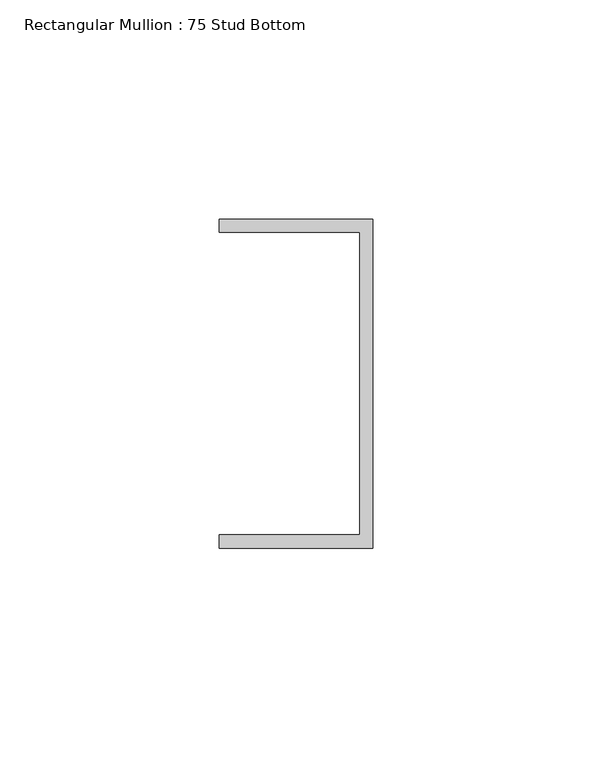
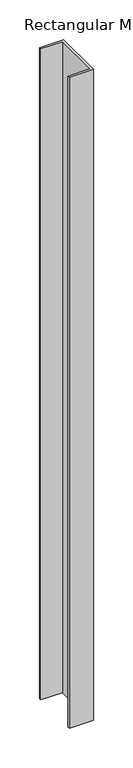
"""IFC4 building model written with IfcOpenShell, lengths in millimetres: member geometry, Rectangular Mullion : 75 Stud Bottom."""

from ifc_helpers import new_model, si_unit, frame, origin, place, context, project, spatial, polyline, outline, extrude, source, transform, mapped, element, save


def rectangular_mullion_75_stud_bottom_f06f0e06(model_context):
    return source(origin(), model_context, "Body", "SweptSolid", [
        extrude(outline(polyline([(0.0, -37.5), (-35.0, -37.5), (-35.0, -34.5), (-3.0, -34.5), (-3.0, 34.5), (-35.0, 34.5), (-35.0, 37.5), (0.0, 37.5), (0.0, -37.5)])), frame((0.0, 0.0, -1000.0), z_axis=(0.0, 0.0, 1.0), x_axis=(1.0, 0.0, 0.0)), (0.0, 0.0, 1.0), 1000.0),
    ])


if __name__ == "__main__":
    model = new_model("IFC4")
    model_context = context("Model", 3, world=origin())
    ifc_project = project(units=[si_unit("LENGTHUNIT", "METRE", prefix="MILLI")], contexts=[model_context])
    site = spatial("IfcSite", under=ifc_project)
    building = spatial("IfcBuilding", under=site)
    placement = place(None, origin())
    rectangular_mullion_75_stud_bottom_shape = rectangular_mullion_75_stud_bottom_f06f0e06(model_context)
    element("IfcMember", 1, ObjectType="Rectangular Mullion : 75 Stud Bottom", at=placement, inside=building, context=model_context, shape_type="MappedRepresentation", body=[
        mapped(rectangular_mullion_75_stud_bottom_shape, transform((0.0, 0.0, 0.0), x_axis=(1.0, 0.0, 0.0), y_axis=(0.0, 1.0, 0.0), z_axis=(0.0, 0.0, 1.0))),
    ])
    save(model, "model.ifc")
